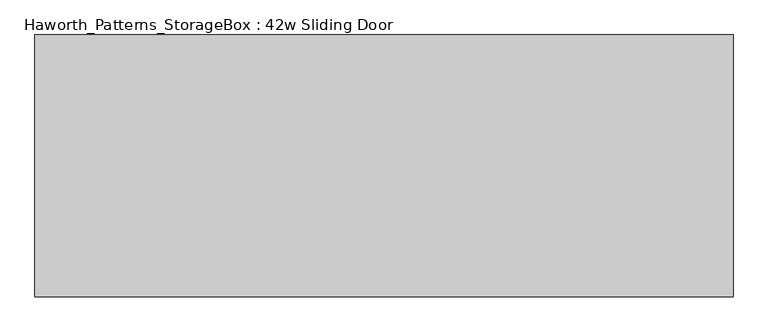
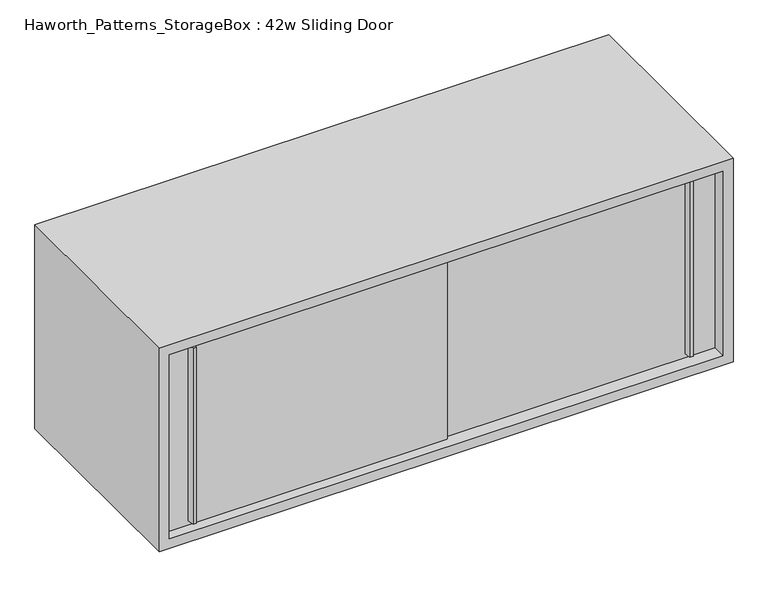
"""IFC4 building model written with IfcOpenShell, lengths in millimetres: furniture geometry, Haworth_Patterns_StorageBox : 42w Sliding Door."""

from ifc_helpers import new_model, si_unit, frame, origin, place, context, project, spatial, polyline, outline, extrude, source, transform, mapped, element, save


def haworth_patterns_storagebox_42w_sliding_door_6579568b(model_context):
    return source(origin(), model_context, "Body", "SweptSolid", [
        extrude(outline(polyline([(631.8250004, -387.3499879), (625.4749996, -387.3499879), (623.8875011, -374.65), (633.4124989, -374.65), (631.8250004, -387.3499879)])), frame((0.0, 0.0, 808.0375), z_axis=(0.0, 0.0, 1.0), x_axis=(1.0, 0.0, 0.0)), (0.0, 0.0, 1.0), 346.075),
        extrude(outline(polyline([(-295.2749996, -393.6999879), (-301.6250004, -393.6999879), (-303.2124989, -381.0), (-293.6875011, -381.0), (-295.2749996, -393.6999879)])), frame((0.0, 0.0, 808.0375), z_axis=(0.0, 0.0, 1.0), x_axis=(1.0, 0.0, 0.0)), (0.0, 0.0, 1.0), 346.075),
        extrude(outline(polyline([(-349.25, -374.65), (177.8, -374.65), (177.8, -381.0), (-349.25, -381.0), (-349.25, -374.65)])), frame((0.0, 0.0, 800.1), z_axis=(0.0, 0.0, 1.0), x_axis=(1.0, 0.0, 0.0)), (0.0, 0.0, 1.0), 361.95),
        extrude(outline(polyline([(152.4, -368.3), (679.45, -368.3), (679.45, -374.65), (152.4, -374.65), (152.4, -368.3)])), frame((0.0, 0.0, 800.1), z_axis=(0.0, 0.0, 1.0), x_axis=(1.0, 0.0, 0.0)), (0.0, 0.0, 1.0), 361.95),
        extrude(outline(polyline([(-314.325, -346.075), (-314.325, -53.975), (644.525, -53.975), (644.525, -346.075), (-314.325, -346.075)])), frame((0.0, 0.0, 762.0), z_axis=(0.0, 0.0, 1.0), x_axis=(1.0, 0.0, 0.0)), (0.0, 0.0, 1.0), 19.05),
        extrude(outline(polyline([(679.45, -19.05), (-349.25, -19.05), (-349.25, 0.0), (679.45, 0.0), (679.45, -19.05)])), frame((0.0, 0.0, 800.1), z_axis=(0.0, 0.0, 1.0), x_axis=(1.0, 0.0, 0.0)), (0.0, 0.0, 1.0), 361.95),
        extrude(outline(polyline([(781.05, 698.5), (1181.1, 698.5), (1181.1, -368.3), (781.05, -368.3), (781.05, 698.5)]), holes=[polyline([(1162.05, 679.45), (800.1, 679.45), (800.1, -349.25), (1162.05, -349.25), (1162.05, 679.45)])]), frame((0.0, -400.05, 0.0), z_axis=(0.0, 1.0, 0.0), x_axis=(0.0, 0.0, 1.0)), (0.0, 0.0, 1.0), 400.05),
    ])


if __name__ == "__main__":
    model = new_model("IFC4")
    model_context = context("Model", 3, world=origin())
    ifc_project = project(units=[si_unit("LENGTHUNIT", "METRE", prefix="MILLI")], contexts=[model_context])
    site = spatial("IfcSite", under=ifc_project)
    building = spatial("IfcBuilding", under=site)
    placement = place(None, origin())
    haworth_patterns_storagebox_42w_sliding_door_shape = haworth_patterns_storagebox_42w_sliding_door_6579568b(model_context)
    element("IfcFurniture", 1, ObjectType="Haworth_Patterns_StorageBox : 42w Sliding Door", at=placement, inside=building, context=model_context, shape_type="MappedRepresentation", body=[
        mapped(haworth_patterns_storagebox_42w_sliding_door_shape, transform((0.0, 0.0, 0.0), x_axis=(1.0, 0.0, 0.0), y_axis=(0.0, 1.0, 0.0), z_axis=(0.0, 0.0, 1.0))),
    ])
    save(model, "model.ifc")
